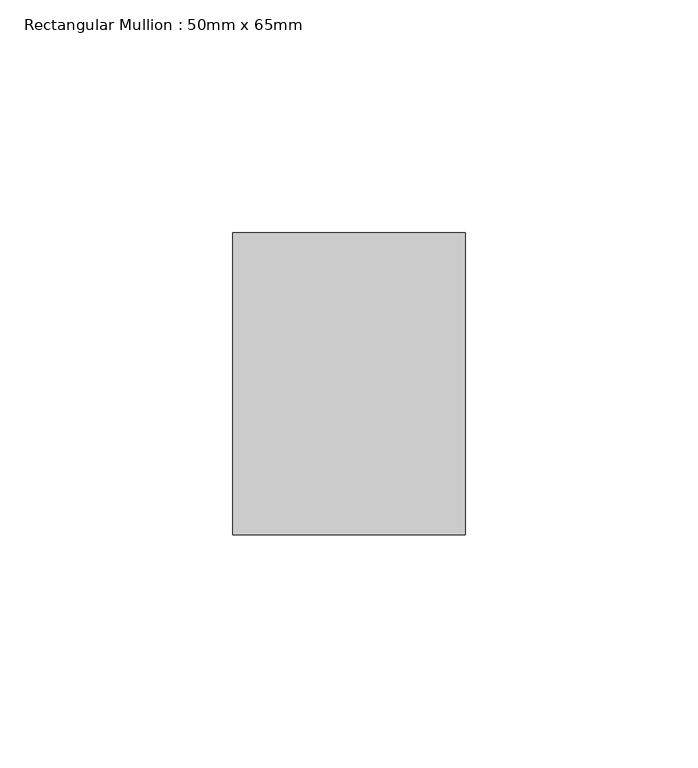
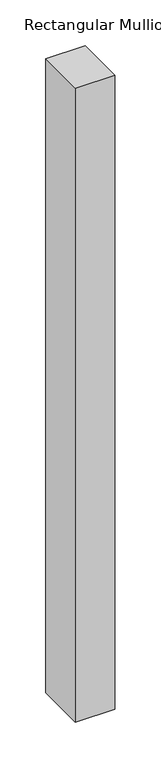
"""IFC4 building model written with IfcOpenShell, lengths in millimetres: member geometry, Rectangular Mullion : 50mm x 65mm."""

import ifcopenshell
import ifcopenshell.guid

model = None  # the IFC model being written
_history = None  # IfcOwnerHistory: only IFC2X3 demands one
_inside = {}  # id of a spatial element -> (the spatial element, [elements in it])
_under = {}  # id of a project, library or spatial element -> (it, [spatial elements below it])
_declared = {}  # id of a project -> (the project, [libraries it declares])
_typed = {}  # id of a type object -> (the type object, [elements of that type])
_made_of = {}  # id of a material, layer set ... -> (it, [elements and type objects made of it])


def new_model(schema):
    """Start an empty IFC model of exactly this schema.

    Asked for "IFC4X3", IfcOpenShell would pick the latest addendum, in which some entities
    have other attributes; the version numbers below select the first issue.
    IFC2X3 requires an IfcOwnerHistory on every rooted entity: one is made here for all.
    """
    global model, _history
    if schema == "IFC4X3":
        model = ifcopenshell.file(schema_version=(4, 3, 0, 0))
    else:
        model = ifcopenshell.file(schema=schema)
    _inside.clear()
    _under.clear()
    _declared.clear()
    _typed.clear()
    _made_of.clear()
    _history = None
    if model.schema == "IFC2X3":
        org = make("IfcOrganization", Name="unknown")
        user = make(
            "IfcPersonAndOrganization",
            ThePerson=make("IfcPerson", FamilyName="unknown"),
            TheOrganization=org,
        )
        app = make(
            "IfcApplication",
            ApplicationDeveloper=org,
            Version="unknown",
            ApplicationFullName="unknown",
            ApplicationIdentifier="unknown",
        )
        _history = make(
            "IfcOwnerHistory",
            OwningUser=user,
            OwningApplication=app,
            ChangeAction="ADDED",
            CreationDate=0,
        )
    return model


def make(cls, **values):
    """One entity of the class cls with the attributes given. An attribute that is None is left unset."""
    return model.create_entity(
        cls, **{name: value for name, value in values.items() if value is not None}
    )


def rooted(cls, **values):
    """An entity with a GlobalId (a new one), such as an element, a storey or a relation."""
    return make(cls, GlobalId=ifcopenshell.guid.new(), OwnerHistory=_history, **values)


def si_unit(unit_type, name, prefix=None):
    """IfcSIUnit, for example si_unit("LENGTHUNIT", "METRE", prefix="MILLI")."""
    return make("IfcSIUnit", UnitType=unit_type, Prefix=prefix, Name=name)


def assignment(units):
    """IfcUnitAssignment: the units of a project."""
    return None if units is None else make("IfcUnitAssignment", Units=units)


def point(xyz):
    """IfcCartesianPoint."""
    return None if xyz is None else make("IfcCartesianPoint", Coordinates=xyz)


def direction(xyz):
    """IfcDirection."""
    return None if xyz is None else make("IfcDirection", DirectionRatios=xyz)


def frame(location, z_axis=None, x_axis=None):
    """IfcAxis2Placement3D, a coordinate frame: its origin and axes. An axis left out is left unset."""
    return make(
        "IfcAxis2Placement3D",
        Location=point(location),
        Axis=direction(z_axis),
        RefDirection=direction(x_axis),
    )


def origin():
    """The frame at (0, 0, 0) with its axes left unset."""
    return frame((0.0, 0.0, 0.0))


def place(relative_to, where):
    """IfcLocalPlacement: puts the frame where relative to a parent placement (None: the world)."""
    return make(
        "IfcLocalPlacement", PlacementRelTo=relative_to, RelativePlacement=where
    )


def context(
    kind, dimensions, precision=None, world=None, true_north=None, identifier=None
):
    """IfcGeometricRepresentationContext, for example the 3D "Model" context."""
    return make(
        "IfcGeometricRepresentationContext",
        ContextIdentifier=identifier,
        ContextType=kind,
        CoordinateSpaceDimension=dimensions,
        Precision=precision,
        WorldCoordinateSystem=world,
        TrueNorth=true_north,
    )


def project(units=None, contexts=None):
    """IfcProject with its units and contexts."""
    return rooted(
        "IfcProject",
        Name="project",
        RepresentationContexts=contexts,
        UnitsInContext=assignment(units),
    )


def spatial(cls, under=None, at=None, **own):
    """A site, building, storey or space (cls), placed at a placement, below another one or the project."""
    s = rooted(cls, ObjectPlacement=at, **own)
    if under is not None:
        _under.setdefault(under.id(), (under, []))[1].append(s)
    return s


def polyline(points):
    """IfcPolyline through the points."""
    return make("IfcPolyline", Points=[point(p) for p in points])


def outline(outer, holes=None, kind="AREA"):
    """IfcArbitraryClosedProfileDef: a profile drawn as a closed curve; with holes, ...WithVoids."""
    if holes is None:
        return make("IfcArbitraryClosedProfileDef", ProfileType=kind, OuterCurve=outer)
    return make(
        "IfcArbitraryProfileDefWithVoids",
        ProfileType=kind,
        OuterCurve=outer,
        InnerCurves=holes,
    )


def extrude(swept, where, along, depth):
    """IfcExtrudedAreaSolid: the profile swept, set in the frame where, extruded along a direction by depth."""
    return make(
        "IfcExtrudedAreaSolid",
        SweptArea=swept,
        Position=where,
        ExtrudedDirection=direction(along),
        Depth=depth,
    )


def shape(context_of_items, identifier, shape_type, items):
    """IfcShapeRepresentation: the items that make up one representation, for example the "Body"."""
    return make(
        "IfcShapeRepresentation",
        ContextOfItems=context_of_items,
        RepresentationIdentifier=identifier,
        RepresentationType=shape_type,
        Items=items,
    )


def source(mapping_origin, context_of_items, identifier, shape_type, items):
    """IfcRepresentationMap: a shape defined once, which mapped items show again and again."""
    return make(
        "IfcRepresentationMap",
        MappingOrigin=mapping_origin,
        MappedRepresentation=shape(context_of_items, identifier, shape_type, items),
    )


def transform(
    local_origin,
    x_axis=None,
    y_axis=None,
    z_axis=None,
    scale=None,
    scale2=None,
    scale3=None,
    uniform=True,
):
    """IfcCartesianTransformationOperator3D, or its non-uniform kind. x_axis, y_axis, z_axis: its Axis1, 2, 3."""
    if uniform:
        return make(
            "IfcCartesianTransformationOperator3D",
            Axis1=direction(x_axis),
            Axis2=direction(y_axis),
            LocalOrigin=point(local_origin),
            Scale=scale,
            Axis3=direction(z_axis),
        )
    return make(
        "IfcCartesianTransformationOperator3DnonUniform",
        Axis1=direction(x_axis),
        Axis2=direction(y_axis),
        LocalOrigin=point(local_origin),
        Scale=scale,
        Axis3=direction(z_axis),
        Scale2=scale2,
        Scale3=scale3,
    )


def mapped(mapping_source, mapping_target):
    """IfcMappedItem: shows the shape of a source again, moved by a transform."""
    return make(
        "IfcMappedItem", MappingSource=mapping_source, MappingTarget=mapping_target
    )


def made_of(thing, what):
    """Note that an element or type object is made of a material, layer set ...; save() writes the relation."""
    if what is not None:
        _made_of.setdefault(what.id(), (what, []))[1].append(thing)
    return thing


def element(
    cls,
    number,
    at=None,
    inside=None,
    cuts=None,
    type_object=None,
    material=None,
    context=None,
    identifier="Body",
    shape_type=None,
    held_by="IfcProductDefinitionShape",
    body=None,
    shapes=None,
    **own,
):
    """One element of the class cls, such as IfcWall. Its Tag is "e" and its number.

    at: its placement. inside: the storey or other place that contains it. cuts: it is an
    opening in that element (IfcRelVoidsElement). A single representation is given by context,
    identifier, shape_type and body (its items); several are given by shapes. held_by: the class
    of the entity that holds the representations. save() writes the other relations.
    """
    e = rooted(cls, Tag="e%d" % number, ObjectPlacement=at, **own)
    if body is not None:
        shapes = [shape(context, identifier, shape_type, body)]
    if shapes is not None:
        e.Representation = make(held_by, Representations=shapes)
    if inside is not None:
        _inside.setdefault(inside.id(), (inside, []))[1].append(e)
    if cuts is not None:
        rooted(
            "IfcRelVoidsElement", RelatingBuildingElement=cuts, RelatedOpeningElement=e
        )
    if type_object is not None:
        _typed.setdefault(type_object.id(), (type_object, []))[1].append(e)
    return made_of(e, material)


def aggregate(whole, parts):
    """IfcRelAggregates: a whole, such as a stair, and the parts it consists of."""
    return rooted("IfcRelAggregates", RelatingObject=whole, RelatedObjects=parts)


def save(model, path):
    """Write the relations noted so far, then the file.

    IfcRelAggregates (storeys below a building ...), IfcRelContainedInSpatialStructure (elements
    in a storey), IfcRelDefinesByType, IfcRelAssociatesMaterial and IfcRelDeclares: one each for
    every whole, place, type object, material and project.
    """
    for whole, parts in _under.values():
        aggregate(whole, parts)
    for where, things in _inside.values():
        rooted(
            "IfcRelContainedInSpatialStructure",
            RelatedElements=things,
            RelatingStructure=where,
        )
    for kind, things in _typed.values():
        rooted("IfcRelDefinesByType", RelatedObjects=things, RelatingType=kind)
    for what, things in _made_of.values():
        rooted("IfcRelAssociatesMaterial", RelatedObjects=things, RelatingMaterial=what)
    for by, libraries in _declared.values():
        rooted("IfcRelDeclares", RelatingContext=by, RelatedDefinitions=libraries)
    model.write(path)


def rectangular_mullion_50mm_x_65mm_c497efcc(model_context):
    return source(origin(), model_context, "Body", "SweptSolid", [
        extrude(outline(polyline([(25.0, 32.5), (25.0, -32.5), (-25.0, -32.5), (-25.0, 32.5), (25.0, 32.5)])), frame((0.0, 0.0, -846.7248783), z_axis=(0.0, 0.0, 1.0), x_axis=(1.0, 0.0, 0.0)), (0.0, 0.0, 1.0), 846.7248783),
    ])


if __name__ == "__main__":
    model = new_model("IFC4")
    model_context = context("Model", 3, world=origin())
    ifc_project = project(units=[si_unit("LENGTHUNIT", "METRE", prefix="MILLI")], contexts=[model_context])
    site = spatial("IfcSite", under=ifc_project)
    building = spatial("IfcBuilding", under=site)
    placement = place(None, origin())
    rectangular_mullion_50mm_x_65mm_shape = rectangular_mullion_50mm_x_65mm_c497efcc(model_context)
    element("IfcMember", 1, ObjectType="Rectangular Mullion : 50mm x 65mm", at=placement, inside=building, context=model_context, shape_type="MappedRepresentation", body=[
        mapped(rectangular_mullion_50mm_x_65mm_shape, transform((0.0, 0.0, 0.0), x_axis=(1.0, 0.0, 0.0), y_axis=(0.0, 1.0, 0.0), z_axis=(0.0, 0.0, 1.0))),
    ])
    save(model, "model.ifc")
